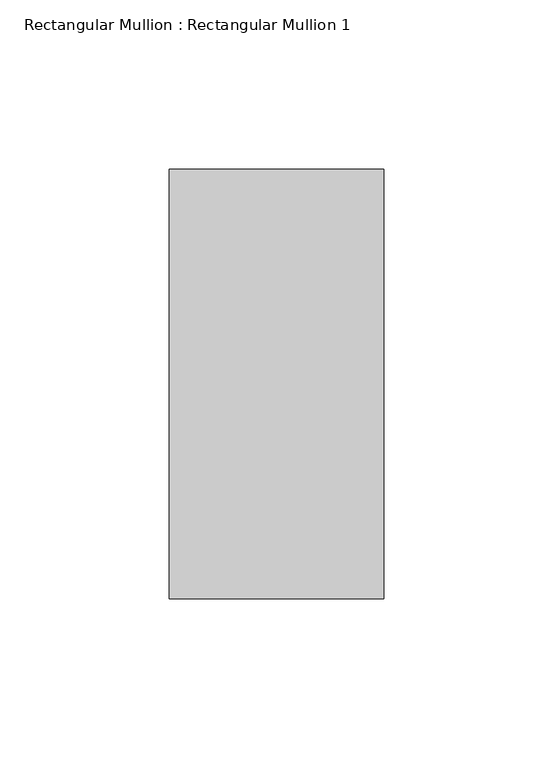
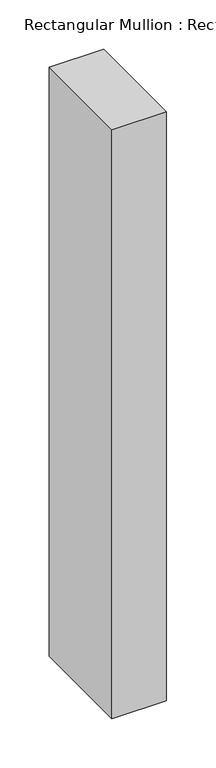
"""IFC4 building model written with IfcOpenShell, lengths in millimetres: member geometry, Rectangular Mullion : Rectangular Mullion 1."""

from ifc_helpers import new_model, si_unit, frame, origin, place, context, project, spatial, polyline, outline, extrude, source, transform, mapped, element, save


def rectangular_mullion_rectangular_mullion_1_a65447c9(model_context):
    return source(origin(), model_context, "Body", "SweptSolid", [
        extrude(outline(polyline([(31.75, 63.5), (31.75, -63.5), (-31.75, -63.5), (-31.75, 63.5), (31.75, 63.5)])), frame((0.0, 0.0, -728.9), z_axis=(0.0, 0.0, 1.0), x_axis=(1.0, 0.0, 0.0)), (0.0, 0.0, 1.0), 728.9),
    ])


if __name__ == "__main__":
    model = new_model("IFC4")
    model_context = context("Model", 3, world=origin())
    ifc_project = project(units=[si_unit("LENGTHUNIT", "METRE", prefix="MILLI")], contexts=[model_context])
    site = spatial("IfcSite", under=ifc_project)
    building = spatial("IfcBuilding", under=site)
    placement = place(None, origin())
    rectangular_mullion_rectangular_mullion_1_shape = rectangular_mullion_rectangular_mullion_1_a65447c9(model_context)
    element("IfcMember", 1, ObjectType="Rectangular Mullion : Rectangular Mullion 1", at=placement, inside=building, context=model_context, shape_type="MappedRepresentation", body=[
        mapped(rectangular_mullion_rectangular_mullion_1_shape, transform((0.0, 0.0, 0.0), x_axis=(1.0, 0.0, 0.0), y_axis=(0.0, 1.0, 0.0), z_axis=(0.0, 0.0, 1.0))),
    ])
    save(model, "model.ifc")
